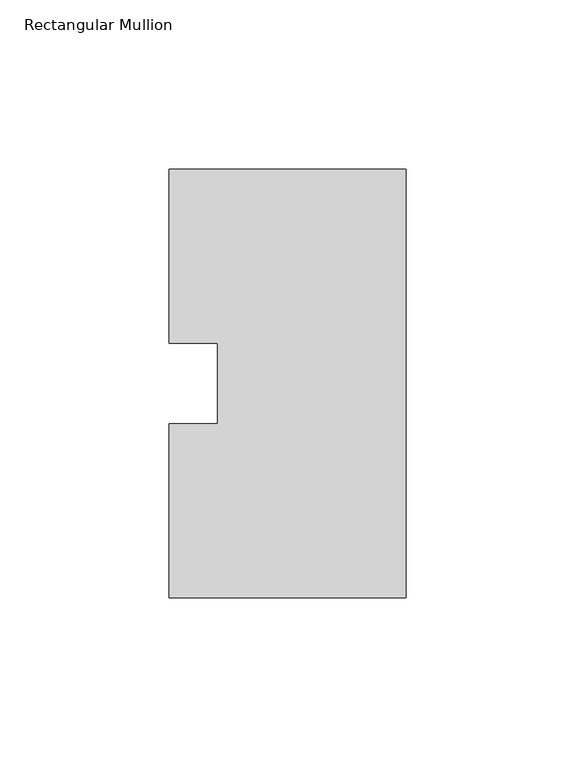
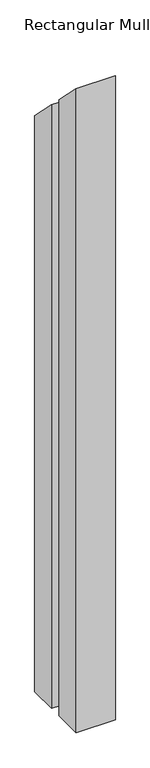
"""IFC4 building model written with IfcOpenShell, lengths in millimetres: member geometry, Rectangular Mullion."""

from ifc_helpers import new_model, si_unit, origin, place, context, project, spatial, faceted_brep, source, transform, mapped, element, save


def rectangular_mullion_d0fb28c2(model_context):
    return source(origin(), model_context, "Body", "Brep", [
        faceted_brep([(-69.85, 0.26035, -1206.50635), (-69.85, 51.60645, -1206.50635), (-55.5625, 51.60645, -1206.50635), (-55.5625, 75.40625, -1206.50635), (-69.85, 75.40625, -1206.50635), (-69.85, 126.75235, -1206.50635), (0.0, 126.75235, -1206.50635), (0.0, 0.26035, -1206.50635), (0.0, 0.26035, -0.26035), (-69.85, 0.26035, -0.26035), (0.0, 126.75235, -126.75235), (-69.85, 126.75235, -126.75235), (-69.85, 75.40625, -75.40625), (-55.5625, 75.40625, -75.40625), (-55.5625, 51.60645, -51.60645), (-69.85, 51.60645, -51.60645)], [[[0, 1, 2, 3, 4, 5, 6, 7]], [[8, 9, 0, 7]], [[10, 8, 7, 6]], [[11, 10, 6, 5]], [[12, 11, 5, 4]], [[13, 12, 4, 3]], [[14, 13, 3, 2]], [[15, 14, 2, 1]], [[9, 15, 1, 0]], [[9, 8, 10, 11, 12, 13, 14, 15]]]),
    ])


if __name__ == "__main__":
    model = new_model("IFC4")
    model_context = context("Model", 3, world=origin())
    ifc_project = project(units=[si_unit("LENGTHUNIT", "METRE", prefix="MILLI")], contexts=[model_context])
    site = spatial("IfcSite", under=ifc_project)
    building = spatial("IfcBuilding", under=site)
    placement = place(None, origin())
    rectangular_mullion_shape = rectangular_mullion_d0fb28c2(model_context)
    element("IfcMember", 1, ObjectType="Rectangular Mullion", at=placement, inside=building, context=model_context, shape_type="MappedRepresentation", body=[
        mapped(rectangular_mullion_shape, transform((0.0, 0.0, 0.0), x_axis=(1.0, 0.0, 0.0), y_axis=(0.0, 1.0, 0.0), z_axis=(0.0, 0.0, 1.0))),
    ])
    save(model, "model.ifc")
